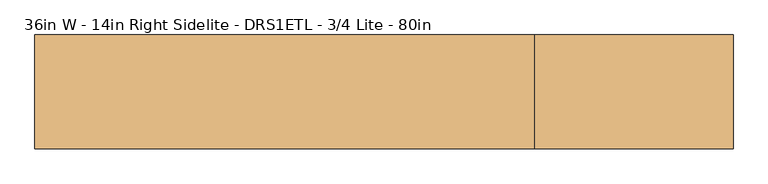
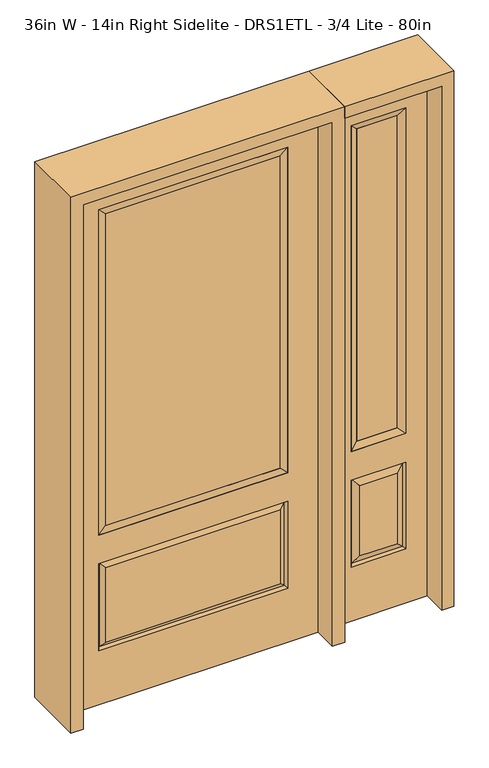
"""IFC4 building model written with IfcOpenShell, lengths in millimetres: door geometry, 36in W - 14in Right Sidelite - DRS1ETL - 3/4 Lite - 80in."""

from ifc_helpers import new_model, si_unit, frame, origin, place, context, project, spatial, polyline, outline, extrude, faceted_brep, source, transform, mapped, element, save


def door_36in_w_14in_right_sidelite_drs1etl_3_4_lite_80in_6124342f(model_context):
    return source(origin(), model_context, "Body", "SolidModel", [
        faceted_brep([(501.65, -22.225, 0.0), (857.25, -22.225, 0.0), (857.25, -22.225, 2032.0), (501.65, -22.225, 2032.0), (779.78, -22.225, 1919.224), (779.78, -22.225, 657.098), (579.12, -22.225, 657.098), (579.12, -22.225, 1919.224), (779.78, -22.225, 209.55), (579.12, -22.225, 209.55), (579.12, -22.225, 546.1), (779.78, -22.225, 546.1), (610.8351001, -22.225, 241.2651001), (748.0648999, -22.225, 241.2651001), (748.0648999, -22.225, 514.3848999), (610.8351001, -22.225, 514.3848999), (501.65, 22.225, 0.0), (501.65, 22.225, 2032.0), (857.25, 22.225, 2032.0), (857.25, 22.225, 0.0), (779.78, 22.225, 1919.224), (579.12, 22.225, 1919.224), (579.12, 22.225, 657.098), (779.78, 22.225, 657.098), (579.12, 22.225, 209.55), (779.78, 22.225, 209.55), (779.78, 22.225, 546.1), (579.12, 22.225, 546.1), (748.0648999, 22.225, 241.2651001), (610.8351001, 22.225, 241.2651001), (610.8351001, 22.225, 514.3848999), (748.0648999, 22.225, 514.3848999), (772.6711499, 12.7912373, 216.6588501), (586.2288501, 12.7912373, 216.6588501), (586.2288501, 12.7912373, 538.9911499), (772.6711499, 12.7912373, 538.9911499), (586.2288501, -12.7912373, 216.6588501), (772.6711499, -12.7912373, 216.6588501), (586.2288501, -12.7912373, 538.9911499), (772.6711499, -12.7912373, 538.9911499)], [[[0, 1, 2, 3], [4, 5, 6, 7], [8, 9, 10, 11]], [[12, 13, 14, 15]], [[16, 17, 18, 19], [20, 21, 22, 23], [24, 25, 26, 27]], [[28, 29, 30, 31]], [[1, 0, 16, 19]], [[2, 1, 19, 18]], [[3, 2, 18, 17]], [[0, 3, 17, 16]], [[5, 4, 20, 23]], [[6, 5, 23, 22]], [[7, 6, 22, 21]], [[4, 7, 21, 20]], [[32, 33, 29, 28]], [[33, 32, 25, 24]], [[29, 33, 34, 30]], [[33, 24, 27, 34]], [[30, 34, 35, 31]], [[34, 27, 26, 35]], [[32, 28, 31, 35]], [[25, 32, 35, 26]], [[12, 36, 37, 13]], [[37, 36, 9, 8]], [[36, 12, 15, 38]], [[9, 36, 38, 10]], [[38, 15, 14, 39]], [[10, 38, 39, 11]], [[13, 37, 39, 14]], [[37, 8, 11, 39]]]),
        faceted_brep([(579.12, 22.225, 1919.224), (579.12, -22.225, 1919.224), (779.78, -22.225, 1919.224), (779.78, 22.225, 1919.224), (604.52, 12.7, 1893.824), (754.38, 12.7, 1893.824), (604.52, -12.7, 1893.824), (754.38, -12.7, 1893.824), (779.78, -22.225, 657.098), (779.78, 22.225, 657.098), (754.38, 12.7, 682.498), (754.38, -12.7, 682.498), (579.12, -22.225, 657.098), (579.12, 22.225, 657.098), (604.52, 12.7, 682.498), (604.52, -12.7, 682.498)], [[[0, 1, 2, 3]], [[4, 0, 3, 5]], [[6, 4, 5, 7]], [[1, 6, 7, 2]], [[3, 2, 8, 9]], [[5, 3, 9, 10]], [[7, 5, 10, 11]], [[2, 7, 11, 8]], [[9, 8, 12, 13]], [[10, 9, 13, 14]], [[11, 10, 14, 15]], [[8, 11, 15, 12]], [[13, 12, 1, 0]], [[14, 13, 0, 4]], [[15, 14, 4, 6]], [[12, 15, 6, 1]]]),
        extrude(outline(polyline([(754.38, -12.7), (604.52, -12.7), (604.52, 12.7), (754.38, 12.7), (754.38, -12.7)])), frame((0.0, 0.0, 682.498), z_axis=(0.0, 0.0, 1.0), x_axis=(1.0, 0.0, 0.0)), (0.0, 0.0, 1.0), 1211.326),
        faceted_brep([(-338.9661499, -12.7912373, 216.6588501), (338.9661499, -12.7912373, 216.6588501), (321.46875, -22.225, 234.15625), (-321.46875, -22.225, 234.15625), (-346.075, -22.225, 209.55), (346.075, -22.225, 209.55), (-338.9661499, -12.7912373, 538.9911499), (-346.075, -22.225, 546.1), (321.46875, -22.225, 521.49375), (-321.46875, -22.225, 521.49375), (457.2, -22.225, 2032.0), (-457.2, -22.225, 2032.0), (-457.2, -22.225, 0.0), (457.2, -22.225, 0.0), (346.075, -22.225, 546.1), (346.075, -22.225, 1917.7), (346.075, -22.225, 657.098), (-346.075, -22.225, 657.098), (-346.075, -22.225, 1917.7), (338.9661499, -12.7912373, 538.9911499), (-457.2, 22.225, 2032.0), (-457.2, 22.225, 0.0), (457.2, 22.225, 0.0), (457.2, 22.225, 2032.0), (346.075, 22.225, 1917.7), (346.075, 22.225, 657.098), (-346.075, 22.225, 657.098), (-346.075, 22.225, 1917.7), (-346.075, 22.225, 209.55), (346.075, 22.225, 209.55), (346.075, 22.225, 546.1), (-346.075, 22.225, 546.1), (321.46875, 22.225, 234.15625), (-321.46875, 22.225, 234.15625), (-321.46875, 22.225, 521.49375), (321.46875, 22.225, 521.49375), (-338.9661499, 12.7912373, 216.6588501), (338.9661499, 12.7912373, 216.6588501), (338.9661499, 12.7912373, 538.9911499), (-338.9661499, 12.7912373, 538.9911499)], [[[0, 1, 2, 3]], [[1, 0, 4, 5]], [[4, 0, 6, 7]], [[3, 2, 8, 9]], [[10, 11, 12, 13], [5, 4, 7, 14], [15, 16, 17, 18]], [[1, 5, 14, 19]], [[2, 1, 19, 8]], [[0, 3, 9, 6]], [[7, 6, 19, 14]], [[6, 9, 8, 19]], [[12, 11, 20, 21]], [[13, 12, 21, 22]], [[10, 13, 22, 23]], [[16, 15, 24, 25]], [[17, 16, 25, 26]], [[18, 17, 26, 27]], [[23, 22, 21, 20], [28, 29, 30, 31], [24, 27, 26, 25]], [[32, 33, 34, 35]], [[28, 36, 37, 29]], [[29, 37, 38, 30]], [[39, 31, 30, 38]], [[36, 28, 31, 39]], [[37, 36, 33, 32]], [[33, 36, 39, 34]], [[34, 39, 38, 35]], [[37, 32, 35, 38]], [[11, 10, 23, 20]], [[15, 18, 27, 24]]]),
        faceted_brep([(-346.075, -22.225, 1917.7), (-346.075, 22.225, 1917.7), (-346.075, 22.225, 657.098), (-346.075, -22.225, 657.098), (346.075, 22.225, 657.098), (346.075, -22.225, 657.098), (-320.675, 5.08, 682.498), (320.675, 5.08, 682.498), (346.075, 22.225, 1917.7), (346.075, -22.225, 1917.7), (-320.675, -20.32, 682.498), (320.675, -20.32, 682.498), (-320.675, -20.32, 1892.3), (320.675, -20.32, 1892.3), (-320.675, 5.08, 1892.3), (320.675, 5.08, 1892.3)], [[[0, 1, 2, 3]], [[3, 2, 4, 5]], [[2, 6, 7, 4]], [[5, 4, 8, 9]], [[10, 3, 5, 11]], [[12, 0, 3, 10]], [[11, 5, 9, 13]], [[6, 10, 11, 7]], [[14, 12, 10, 6]], [[7, 11, 13, 15]], [[1, 14, 6, 2]], [[4, 7, 15, 8]], [[9, 8, 1, 0]], [[13, 9, 0, 12]], [[15, 13, 12, 14]], [[8, 15, 14, 1]]]),
        extrude(outline(polyline([(320.675, -20.32), (-320.675, -20.32), (-320.675, 5.08), (320.675, 5.08), (320.675, -20.32)])), frame((0.0, 0.0, 682.498), z_axis=(0.0, 0.0, 1.0), x_axis=(1.0, 0.0, 0.0)), (0.0, 0.0, 1.0), 1209.802),
        extrude(outline(polyline([(2076.45, -501.65), (0.0, -501.65), (0.0, -457.2), (2032.0, -457.2), (2032.0, 457.2), (0.0, 457.2), (0.0, 501.65), (2076.45, 501.65), (2076.45, -501.65)])), frame((0.0, -114.3, 0.0), z_axis=(0.0, 1.0, 0.0), x_axis=(0.0, 0.0, 1.0)), (0.0, 0.0, 1.0), 228.6),
        extrude(outline(polyline([(0.0, 857.25), (0.0, 901.7), (2076.45, 901.7), (2076.45, 501.65), (2032.0, 501.65), (2032.0, 857.25), (0.0, 857.25)])), frame((0.0, -114.3, 0.0), z_axis=(0.0, 1.0, 0.0), x_axis=(0.0, 0.0, 1.0)), (0.0, 0.0, 1.0), 228.6),
    ])


if __name__ == "__main__":
    model = new_model("IFC4")
    model_context = context("Model", 3, world=origin())
    ifc_project = project(units=[si_unit("LENGTHUNIT", "METRE", prefix="MILLI")], contexts=[model_context])
    site = spatial("IfcSite", under=ifc_project)
    building = spatial("IfcBuilding", under=site)
    placement = place(None, origin())
    door_36in_w_14in_right_sidelite_drs1etl_3_4_lite_80in_shape = door_36in_w_14in_right_sidelite_drs1etl_3_4_lite_80in_6124342f(model_context)
    element("IfcDoor", 1, ObjectType="36in W - 14in Right Sidelite - DRS1ETL - 3/4 Lite - 80in", at=placement, inside=building, context=model_context, shape_type="MappedRepresentation", body=[
        mapped(door_36in_w_14in_right_sidelite_drs1etl_3_4_lite_80in_shape, transform((0.0, 0.0, 0.0), x_axis=(1.0, 0.0, 0.0), y_axis=(0.0, 1.0, 0.0), z_axis=(0.0, 0.0, 1.0))),
    ])
    save(model, "model.ifc")
